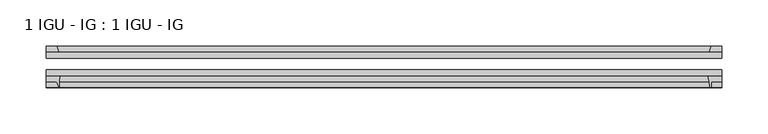
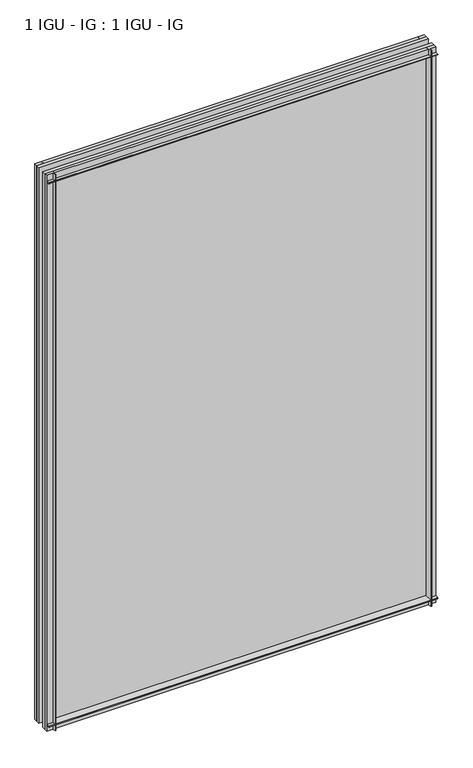
"""IFC4 building model written with IfcOpenShell, lengths in millimetres: plate geometry, 1 IGU - IG : 1 IGU - IG."""

import ifcopenshell
import ifcopenshell.guid

model = None  # the IFC model being written
_history = None  # IfcOwnerHistory: only IFC2X3 demands one
_inside = {}  # id of a spatial element -> (the spatial element, [elements in it])
_under = {}  # id of a project, library or spatial element -> (it, [spatial elements below it])
_declared = {}  # id of a project -> (the project, [libraries it declares])
_typed = {}  # id of a type object -> (the type object, [elements of that type])
_made_of = {}  # id of a material, layer set ... -> (it, [elements and type objects made of it])


def new_model(schema):
    """Start an empty IFC model of exactly this schema.

    Asked for "IFC4X3", IfcOpenShell would pick the latest addendum, in which some entities
    have other attributes; the version numbers below select the first issue.
    IFC2X3 requires an IfcOwnerHistory on every rooted entity: one is made here for all.
    """
    global model, _history
    if schema == "IFC4X3":
        model = ifcopenshell.file(schema_version=(4, 3, 0, 0))
    else:
        model = ifcopenshell.file(schema=schema)
    _inside.clear()
    _under.clear()
    _declared.clear()
    _typed.clear()
    _made_of.clear()
    _history = None
    if model.schema == "IFC2X3":
        org = make("IfcOrganization", Name="unknown")
        user = make(
            "IfcPersonAndOrganization",
            ThePerson=make("IfcPerson", FamilyName="unknown"),
            TheOrganization=org,
        )
        app = make(
            "IfcApplication",
            ApplicationDeveloper=org,
            Version="unknown",
            ApplicationFullName="unknown",
            ApplicationIdentifier="unknown",
        )
        _history = make(
            "IfcOwnerHistory",
            OwningUser=user,
            OwningApplication=app,
            ChangeAction="ADDED",
            CreationDate=0,
        )
    return model


def make(cls, **values):
    """One entity of the class cls with the attributes given. An attribute that is None is left unset."""
    return model.create_entity(
        cls, **{name: value for name, value in values.items() if value is not None}
    )


def rooted(cls, **values):
    """An entity with a GlobalId (a new one), such as an element, a storey or a relation."""
    return make(cls, GlobalId=ifcopenshell.guid.new(), OwnerHistory=_history, **values)


def si_unit(unit_type, name, prefix=None):
    """IfcSIUnit, for example si_unit("LENGTHUNIT", "METRE", prefix="MILLI")."""
    return make("IfcSIUnit", UnitType=unit_type, Prefix=prefix, Name=name)


def assignment(units):
    """IfcUnitAssignment: the units of a project."""
    return None if units is None else make("IfcUnitAssignment", Units=units)


def point(xyz):
    """IfcCartesianPoint."""
    return None if xyz is None else make("IfcCartesianPoint", Coordinates=xyz)


def direction(xyz):
    """IfcDirection."""
    return None if xyz is None else make("IfcDirection", DirectionRatios=xyz)


def frame(location, z_axis=None, x_axis=None):
    """IfcAxis2Placement3D, a coordinate frame: its origin and axes. An axis left out is left unset."""
    return make(
        "IfcAxis2Placement3D",
        Location=point(location),
        Axis=direction(z_axis),
        RefDirection=direction(x_axis),
    )


def frame_2d(location, x_axis=None):
    """IfcAxis2Placement2D, a coordinate frame in the plane: its origin and x axis."""
    return make(
        "IfcAxis2Placement2D", Location=point(location), RefDirection=direction(x_axis)
    )


def origin():
    """The frame at (0, 0, 0) with its axes left unset."""
    return frame((0.0, 0.0, 0.0))


def place(relative_to, where):
    """IfcLocalPlacement: puts the frame where relative to a parent placement (None: the world)."""
    return make(
        "IfcLocalPlacement", PlacementRelTo=relative_to, RelativePlacement=where
    )


def context(
    kind, dimensions, precision=None, world=None, true_north=None, identifier=None
):
    """IfcGeometricRepresentationContext, for example the 3D "Model" context."""
    return make(
        "IfcGeometricRepresentationContext",
        ContextIdentifier=identifier,
        ContextType=kind,
        CoordinateSpaceDimension=dimensions,
        Precision=precision,
        WorldCoordinateSystem=world,
        TrueNorth=true_north,
    )


def project(units=None, contexts=None):
    """IfcProject with its units and contexts."""
    return rooted(
        "IfcProject",
        Name="project",
        RepresentationContexts=contexts,
        UnitsInContext=assignment(units),
    )


def spatial(cls, under=None, at=None, **own):
    """A site, building, storey or space (cls), placed at a placement, below another one or the project."""
    s = rooted(cls, ObjectPlacement=at, **own)
    if under is not None:
        _under.setdefault(under.id(), (under, []))[1].append(s)
    return s


def polyline(points):
    """IfcPolyline through the points."""
    return make("IfcPolyline", Points=[point(p) for p in points])


def circle_curve(where, radius):
    """IfcCircle in the frame where."""
    return make("IfcCircle", Position=where, Radius=radius)


def trimmed(basis, trim1, trim2, sense, master):
    """IfcTrimmedCurve: the piece of a basis curve between two trims."""
    return make(
        "IfcTrimmedCurve",
        BasisCurve=basis,
        Trim1=trim1,
        Trim2=trim2,
        SenseAgreement=sense,
        MasterRepresentation=master,
    )


def segment(curve, same_sense, transition):
    """IfcCompositeCurveSegment."""
    return make(
        "IfcCompositeCurveSegment",
        Transition=transition,
        SameSense=same_sense,
        ParentCurve=curve,
    )


def composite_curve(segments, self_intersect=None):
    """IfcCompositeCurve: segments joined end to end."""
    return make("IfcCompositeCurve", Segments=segments, SelfIntersect=self_intersect)


def outline(outer, holes=None, kind="AREA"):
    """IfcArbitraryClosedProfileDef: a profile drawn as a closed curve; with holes, ...WithVoids."""
    if holes is None:
        return make("IfcArbitraryClosedProfileDef", ProfileType=kind, OuterCurve=outer)
    return make(
        "IfcArbitraryProfileDefWithVoids",
        ProfileType=kind,
        OuterCurve=outer,
        InnerCurves=holes,
    )


def extrude(swept, where, along, depth):
    """IfcExtrudedAreaSolid: the profile swept, set in the frame where, extruded along a direction by depth."""
    return make(
        "IfcExtrudedAreaSolid",
        SweptArea=swept,
        Position=where,
        ExtrudedDirection=direction(along),
        Depth=depth,
    )


def shape(context_of_items, identifier, shape_type, items):
    """IfcShapeRepresentation: the items that make up one representation, for example the "Body"."""
    return make(
        "IfcShapeRepresentation",
        ContextOfItems=context_of_items,
        RepresentationIdentifier=identifier,
        RepresentationType=shape_type,
        Items=items,
    )


def source(mapping_origin, context_of_items, identifier, shape_type, items):
    """IfcRepresentationMap: a shape defined once, which mapped items show again and again."""
    return make(
        "IfcRepresentationMap",
        MappingOrigin=mapping_origin,
        MappedRepresentation=shape(context_of_items, identifier, shape_type, items),
    )


def transform(
    local_origin,
    x_axis=None,
    y_axis=None,
    z_axis=None,
    scale=None,
    scale2=None,
    scale3=None,
    uniform=True,
):
    """IfcCartesianTransformationOperator3D, or its non-uniform kind. x_axis, y_axis, z_axis: its Axis1, 2, 3."""
    if uniform:
        return make(
            "IfcCartesianTransformationOperator3D",
            Axis1=direction(x_axis),
            Axis2=direction(y_axis),
            LocalOrigin=point(local_origin),
            Scale=scale,
            Axis3=direction(z_axis),
        )
    return make(
        "IfcCartesianTransformationOperator3DnonUniform",
        Axis1=direction(x_axis),
        Axis2=direction(y_axis),
        LocalOrigin=point(local_origin),
        Scale=scale,
        Axis3=direction(z_axis),
        Scale2=scale2,
        Scale3=scale3,
    )


def mapped(mapping_source, mapping_target):
    """IfcMappedItem: shows the shape of a source again, moved by a transform."""
    return make(
        "IfcMappedItem", MappingSource=mapping_source, MappingTarget=mapping_target
    )


def made_of(thing, what):
    """Note that an element or type object is made of a material, layer set ...; save() writes the relation."""
    if what is not None:
        _made_of.setdefault(what.id(), (what, []))[1].append(thing)
    return thing


def element(
    cls,
    number,
    at=None,
    inside=None,
    cuts=None,
    type_object=None,
    material=None,
    context=None,
    identifier="Body",
    shape_type=None,
    held_by="IfcProductDefinitionShape",
    body=None,
    shapes=None,
    **own,
):
    """One element of the class cls, such as IfcWall. Its Tag is "e" and its number.

    at: its placement. inside: the storey or other place that contains it. cuts: it is an
    opening in that element (IfcRelVoidsElement). A single representation is given by context,
    identifier, shape_type and body (its items); several are given by shapes. held_by: the class
    of the entity that holds the representations. save() writes the other relations.
    """
    e = rooted(cls, Tag="e%d" % number, ObjectPlacement=at, **own)
    if body is not None:
        shapes = [shape(context, identifier, shape_type, body)]
    if shapes is not None:
        e.Representation = make(held_by, Representations=shapes)
    if inside is not None:
        _inside.setdefault(inside.id(), (inside, []))[1].append(e)
    if cuts is not None:
        rooted(
            "IfcRelVoidsElement", RelatingBuildingElement=cuts, RelatedOpeningElement=e
        )
    if type_object is not None:
        _typed.setdefault(type_object.id(), (type_object, []))[1].append(e)
    return made_of(e, material)


def aggregate(whole, parts):
    """IfcRelAggregates: a whole, such as a stair, and the parts it consists of."""
    return rooted("IfcRelAggregates", RelatingObject=whole, RelatedObjects=parts)


def save(model, path):
    """Write the relations noted so far, then the file.

    IfcRelAggregates (storeys below a building ...), IfcRelContainedInSpatialStructure (elements
    in a storey), IfcRelDefinesByType, IfcRelAssociatesMaterial and IfcRelDeclares: one each for
    every whole, place, type object, material and project.
    """
    for whole, parts in _under.values():
        aggregate(whole, parts)
    for where, things in _inside.values():
        rooted(
            "IfcRelContainedInSpatialStructure",
            RelatedElements=things,
            RelatingStructure=where,
        )
    for kind, things in _typed.values():
        rooted("IfcRelDefinesByType", RelatedObjects=things, RelatingType=kind)
    for what, things in _made_of.values():
        rooted("IfcRelAssociatesMaterial", RelatedObjects=things, RelatingMaterial=what)
    for by, libraries in _declared.values():
        rooted("IfcRelDeclares", RelatingContext=by, RelatedDefinitions=libraries)
    model.write(path)


def plate_1_igu_ig_1_igu_ig_acfbb24a(model_context):
    return source(origin(), model_context, "Body", "SweptSolid", [
        extrude(outline(polyline([(345.8824303, -31.75), (345.8824303, -38.1), (-383.9824303, -38.1), (-383.9824303, -31.75), (345.8824303, -31.75)])), frame((0.0, 0.0, -11.1125), z_axis=(0.0, 0.0, 1.0), x_axis=(1.0, 0.0, 0.0)), (0.0, 0.0, 1.0), 1101.725),
        extrude(outline(polyline([(-383.9824303, -12.7), (345.8824303, -12.7), (345.8824303, -19.05), (-383.9824303, -19.05), (-383.9824303, -12.7)])), frame((0.0, 0.0, -11.1125), z_axis=(0.0, 0.0, 1.0), x_axis=(1.0, 0.0, 0.0)), (0.0, 0.0, 1.0), 1101.725),
        extrude(outline(polyline([(-383.9824303, -12.7), (-383.9824303, -6.35), (-372.8563289, -6.35), (-370.7510518, -12.7), (-383.9824303, -12.7)])), frame((0.0, 0.0, -11.1125), z_axis=(0.0, 0.0, 1.0), x_axis=(1.0, 0.0, 0.0)), (0.0, 0.0, 1.0), 1101.725),
        extrude(outline(composite_curve([segment(trimmed(circle_curve(frame_2d((-325.4161333, -53.3794536)), 45.8781451), [point((-368.6751496, -38.1))], [point((-369.9349334, -42.2942999))], True, "CARTESIAN"), True, "CONTINUOUS"), segment(trimmed(circle_curve(frame_2d((-360.6921541, -44.5957463)), 9.525), [point((-369.9349334, -42.2942999))], [point((-370.2014563, -45.1423684))], True, "CARTESIAN"), True, "CONTINUOUS"), segment(trimmed(circle_curve(frame_2d((-333.7349085, -43.0461661)), 36.5267461), [point((-370.2014563, -45.1423684))], [point((-369.7103849, -49.3682124))], True, "CARTESIAN"), True, "CONTINUOUS"), segment(trimmed(circle_curve(frame_2d((-370.4608846, -49.5000993)), 0.762), [point((-369.7103849, -49.3682124))], [point((-370.4489174, -50.2620054))], False, "CARTESIAN"), True, "CONTINUOUS"), segment(polyline([(-370.4489174, -50.2620054), (-372.8563289, -44.45), (-383.9824303, -44.45), (-383.9824303, -38.1), (-368.6751496, -38.1)]), True, "CONTINUOUS")], self_intersect=False)), frame((0.0, 0.0, -11.1125), z_axis=(0.0, 0.0, 1.0), x_axis=(1.0, 0.0, 0.0)), (0.0, 0.0, 1.0), 1101.725),
        extrude(outline(polyline([(345.8824303, -12.7), (332.6646532, -12.7), (334.7699303, -6.35), (345.8824303, -6.35), (345.8824303, -12.7)])), frame((0.0, 0.0, -11.1125), z_axis=(0.0, 0.0, 1.0), x_axis=(1.0, 0.0, 0.0)), (0.0, 0.0, 1.0), 1101.725),
        extrude(outline(composite_curve([segment(polyline([(330.588751, -38.1), (345.8824303, -38.1), (345.8824303, -44.45), (334.7699303, -44.45), (334.7699303, -50.8), (333.8500294, -50.8)]), True, "CONTINUOUS"), segment(trimmed(circle_curve(frame_2d((333.8500294, -50.038)), 0.762), [point((333.8500294, -50.8))], [point((333.0899875, -50.0925922))], False, "CARTESIAN"), True, "CONTINUOUS"), segment(trimmed(circle_curve(frame_2d((287.3297347, -53.3794536)), 45.8781451), [point((333.0899875, -50.0925922))], [point((330.588751, -38.1))], True, "CARTESIAN"), True, "CONTINUOUS")], self_intersect=False)), frame((0.0, 0.0, -11.1125), z_axis=(0.0, 0.0, 1.0), x_axis=(1.0, 0.0, 0.0)), (0.0, 0.0, 1.0), 1101.725),
        extrude(outline(polyline([(-12.7, -11.1125), (-12.7, 2.1052771), (-6.35, 0.0), (-6.35, -11.1125), (-12.7, -11.1125)])), frame((-383.9824303, 0.0, 0.0), z_axis=(1.0, 0.0, 0.0), x_axis=(0.0, 1.0, 0.0)), (0.0, 0.0, 1.0), 729.8648605),
        extrude(outline(composite_curve([segment(polyline([(-38.1, 4.1811793), (-38.1, -11.1125), (-44.45, -11.1125), (-44.45, 0.0), (-50.8, 0.0), (-50.8, 0.9199009)]), True, "CONTINUOUS"), segment(trimmed(circle_curve(frame_2d((-50.038, 0.9199009)), 0.762), [point((-50.8, 0.9199009))], [point((-50.0925922, 1.6799428))], False, "CARTESIAN"), True, "CONTINUOUS"), segment(trimmed(circle_curve(frame_2d((-53.3794536, 47.4401956)), 45.8781451), [point((-50.0925922, 1.6799428))], [point((-38.1, 4.1811793))], True, "CARTESIAN"), True, "CONTINUOUS")], self_intersect=False)), frame((-383.9824303, 0.0, 0.0), z_axis=(1.0, 0.0, 0.0), x_axis=(0.0, 1.0, 0.0)), (0.0, 0.0, 1.0), 729.8648605),
        extrude(outline(polyline([(-6.35, 1079.5), (-12.7, 1077.3947229), (-12.7, 1090.6125), (-6.35, 1090.6125), (-6.35, 1079.5)])), frame((-383.9824303, 0.0, 0.0), z_axis=(1.0, 0.0, 0.0), x_axis=(0.0, 1.0, 0.0)), (0.0, 0.0, 1.0), 729.8648605),
        extrude(outline(composite_curve([segment(polyline([(-38.1, 1090.6125), (-38.1, 1075.3188207)]), True, "CONTINUOUS"), segment(trimmed(circle_curve(frame_2d((-53.3794536, 1032.0598044)), 45.8781451), [point((-38.1, 1075.3188207))], [point((-50.0925922, 1077.8200572))], True, "CARTESIAN"), True, "CONTINUOUS"), segment(trimmed(circle_curve(frame_2d((-50.038, 1078.5800991)), 0.762), [point((-50.0925922, 1077.8200572))], [point((-50.8, 1078.5800991))], False, "CARTESIAN"), True, "CONTINUOUS"), segment(polyline([(-50.8, 1078.5800991), (-50.8, 1079.5), (-44.45, 1079.5), (-44.45, 1090.6125), (-38.1, 1090.6125)]), True, "CONTINUOUS")], self_intersect=False)), frame((-383.9824303, 0.0, 0.0), z_axis=(1.0, 0.0, 0.0), x_axis=(0.0, 1.0, 0.0)), (0.0, 0.0, 1.0), 729.8648605),
    ])


if __name__ == "__main__":
    model = new_model("IFC4")
    model_context = context("Model", 3, world=origin())
    ifc_project = project(units=[si_unit("LENGTHUNIT", "METRE", prefix="MILLI")], contexts=[model_context])
    site = spatial("IfcSite", under=ifc_project)
    building = spatial("IfcBuilding", under=site)
    placement = place(None, origin())
    plate_1_igu_ig_1_igu_ig_shape = plate_1_igu_ig_1_igu_ig_acfbb24a(model_context)
    element("IfcPlate", 1, ObjectType="1 IGU - IG : 1 IGU - IG", at=placement, inside=building, context=model_context, shape_type="MappedRepresentation", body=[
        mapped(plate_1_igu_ig_1_igu_ig_shape, transform((0.0, 0.0, 0.0), x_axis=(1.0, 0.0, 0.0), y_axis=(0.0, 1.0, 0.0), z_axis=(0.0, 0.0, 1.0))),
    ])
    save(model, "model.ifc")
